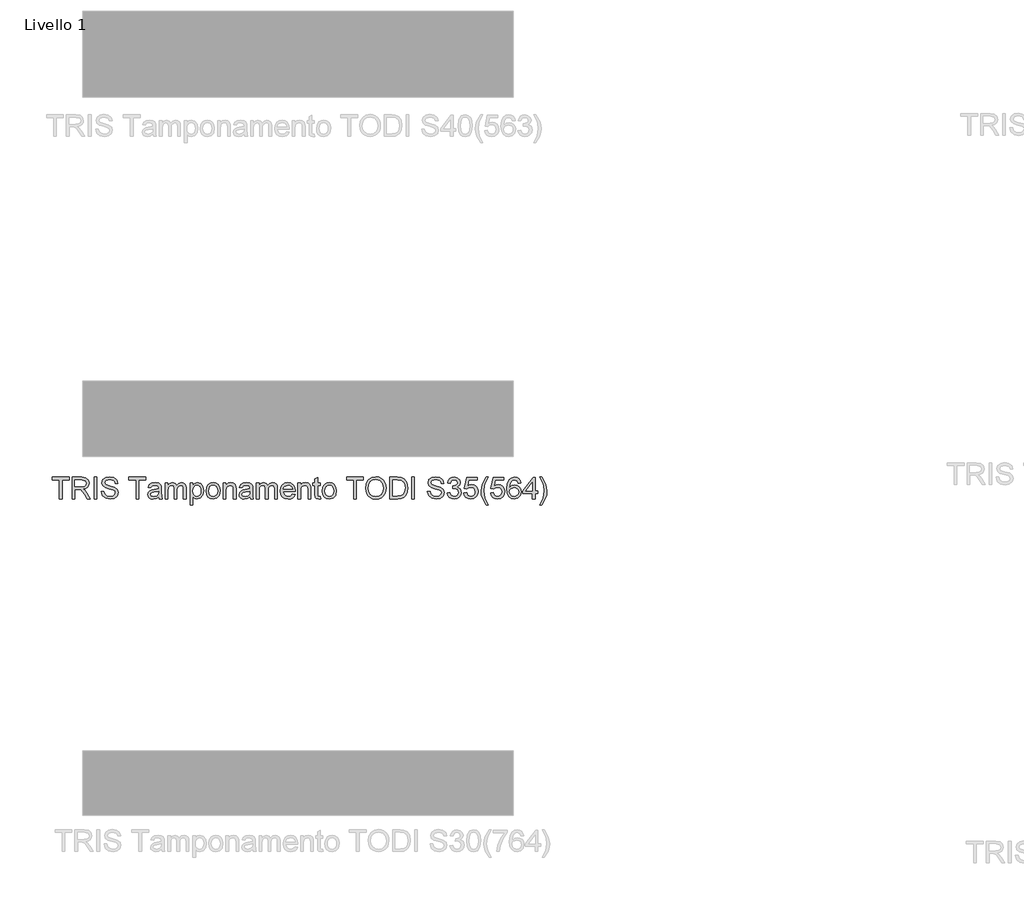
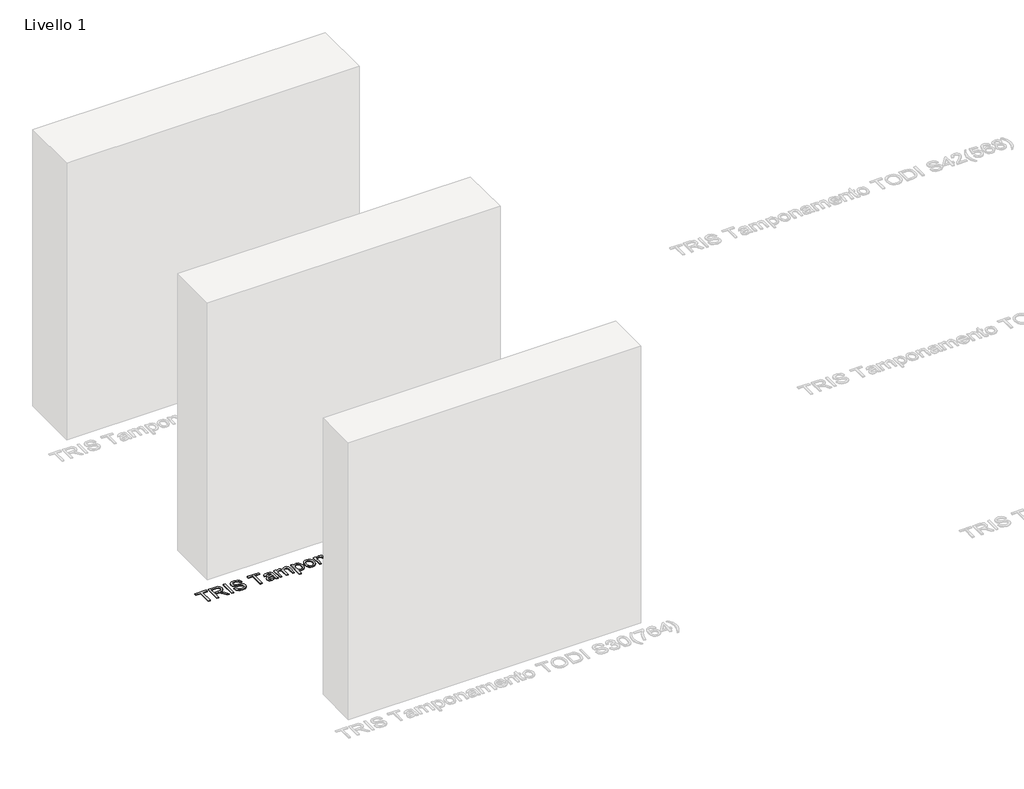
# One storey, part 5 of 18: 1 proxy.
"""IFC4 building model written with IfcOpenShell, lengths in millimetres."""

import ifcopenshell
import ifcopenshell.guid

model = None  # the IFC model being written
_history = None  # IfcOwnerHistory: only IFC2X3 demands one
_inside = {}  # id of a spatial element -> (the spatial element, [elements in it])
_under = {}  # id of a project, library or spatial element -> (it, [spatial elements below it])
_declared = {}  # id of a project -> (the project, [libraries it declares])
_typed = {}  # id of a type object -> (the type object, [elements of that type])
_made_of = {}  # id of a material, layer set ... -> (it, [elements and type objects made of it])


def new_model(schema):
    """Start an empty IFC model of exactly this schema.

    Asked for "IFC4X3", IfcOpenShell would pick the latest addendum, in which some entities
    have other attributes; the version numbers below select the first issue.
    IFC2X3 requires an IfcOwnerHistory on every rooted entity: one is made here for all.
    """
    global model, _history
    if schema == "IFC4X3":
        model = ifcopenshell.file(schema_version=(4, 3, 0, 0))
    else:
        model = ifcopenshell.file(schema=schema)
    _inside.clear()
    _under.clear()
    _declared.clear()
    _typed.clear()
    _made_of.clear()
    _history = None
    if model.schema == "IFC2X3":
        org = make("IfcOrganization", Name="unknown")
        user = make(
            "IfcPersonAndOrganization",
            ThePerson=make("IfcPerson", FamilyName="unknown"),
            TheOrganization=org,
        )
        app = make(
            "IfcApplication",
            ApplicationDeveloper=org,
            Version="unknown",
            ApplicationFullName="unknown",
            ApplicationIdentifier="unknown",
        )
        _history = make(
            "IfcOwnerHistory",
            OwningUser=user,
            OwningApplication=app,
            ChangeAction="ADDED",
            CreationDate=0,
        )
    return model


def make(cls, **values):
    """One entity of the class cls with the attributes given. An attribute that is None is left unset."""
    return model.create_entity(
        cls, **{name: value for name, value in values.items() if value is not None}
    )


def rooted(cls, **values):
    """An entity with a GlobalId (a new one), such as an element, a storey or a relation."""
    return make(cls, GlobalId=ifcopenshell.guid.new(), OwnerHistory=_history, **values)


def si_unit(unit_type, name, prefix=None):
    """IfcSIUnit, for example si_unit("LENGTHUNIT", "METRE", prefix="MILLI")."""
    return make("IfcSIUnit", UnitType=unit_type, Prefix=prefix, Name=name)


def assignment(units):
    """IfcUnitAssignment: the units of a project."""
    return None if units is None else make("IfcUnitAssignment", Units=units)


def point(xyz):
    """IfcCartesianPoint."""
    return None if xyz is None else make("IfcCartesianPoint", Coordinates=xyz)


def direction(xyz):
    """IfcDirection."""
    return None if xyz is None else make("IfcDirection", DirectionRatios=xyz)


def frame(location, z_axis=None, x_axis=None):
    """IfcAxis2Placement3D, a coordinate frame: its origin and axes. An axis left out is left unset."""
    return make(
        "IfcAxis2Placement3D",
        Location=point(location),
        Axis=direction(z_axis),
        RefDirection=direction(x_axis),
    )


def origin():
    """The frame at (0, 0, 0) with its axes left unset."""
    return frame((0.0, 0.0, 0.0))


def origin_with_axes():
    """The frame at (0, 0, 0) with the z axis (0, 0, 1) and the x axis (1, 0, 0) written out."""
    return frame((0.0, 0.0, 0.0), z_axis=(0.0, 0.0, 1.0), x_axis=(1.0, 0.0, 0.0))


def place(relative_to, where):
    """IfcLocalPlacement: puts the frame where relative to a parent placement (None: the world)."""
    return make(
        "IfcLocalPlacement", PlacementRelTo=relative_to, RelativePlacement=where
    )


def context(
    kind, dimensions, precision=None, world=None, true_north=None, identifier=None
):
    """IfcGeometricRepresentationContext, for example the 3D "Model" context."""
    return make(
        "IfcGeometricRepresentationContext",
        ContextIdentifier=identifier,
        ContextType=kind,
        CoordinateSpaceDimension=dimensions,
        Precision=precision,
        WorldCoordinateSystem=world,
        TrueNorth=true_north,
    )


def project(units=None, contexts=None):
    """IfcProject with its units and contexts."""
    return rooted(
        "IfcProject",
        Name="project",
        RepresentationContexts=contexts,
        UnitsInContext=assignment(units),
    )


def spatial(cls, under=None, at=None, **own):
    """A site, building, storey or space (cls), placed at a placement, below another one or the project."""
    s = rooted(cls, ObjectPlacement=at, **own)
    if under is not None:
        _under.setdefault(under.id(), (under, []))[1].append(s)
    return s


def polyline(points):
    """IfcPolyline through the points."""
    return make("IfcPolyline", Points=[point(p) for p in points])


def outline(outer, holes=None, kind="AREA"):
    """IfcArbitraryClosedProfileDef: a profile drawn as a closed curve; with holes, ...WithVoids."""
    if holes is None:
        return make("IfcArbitraryClosedProfileDef", ProfileType=kind, OuterCurve=outer)
    return make(
        "IfcArbitraryProfileDefWithVoids",
        ProfileType=kind,
        OuterCurve=outer,
        InnerCurves=holes,
    )


def extrude(swept, where, along, depth):
    """IfcExtrudedAreaSolid: the profile swept, set in the frame where, extruded along a direction by depth."""
    return make(
        "IfcExtrudedAreaSolid",
        SweptArea=swept,
        Position=where,
        ExtrudedDirection=direction(along),
        Depth=depth,
    )


def shape(context_of_items, identifier, shape_type, items):
    """IfcShapeRepresentation: the items that make up one representation, for example the "Body"."""
    return make(
        "IfcShapeRepresentation",
        ContextOfItems=context_of_items,
        RepresentationIdentifier=identifier,
        RepresentationType=shape_type,
        Items=items,
    )


def made_of(thing, what):
    """Note that an element or type object is made of a material, layer set ...; save() writes the relation."""
    if what is not None:
        _made_of.setdefault(what.id(), (what, []))[1].append(thing)
    return thing


def element(
    cls,
    number,
    at=None,
    inside=None,
    cuts=None,
    type_object=None,
    material=None,
    context=None,
    identifier="Body",
    shape_type=None,
    held_by="IfcProductDefinitionShape",
    body=None,
    shapes=None,
    **own,
):
    """One element of the class cls, such as IfcWall. Its Tag is "e" and its number.

    at: its placement. inside: the storey or other place that contains it. cuts: it is an
    opening in that element (IfcRelVoidsElement). A single representation is given by context,
    identifier, shape_type and body (its items); several are given by shapes. held_by: the class
    of the entity that holds the representations. save() writes the other relations.
    """
    e = rooted(cls, Tag="e%d" % number, ObjectPlacement=at, **own)
    if body is not None:
        shapes = [shape(context, identifier, shape_type, body)]
    if shapes is not None:
        e.Representation = make(held_by, Representations=shapes)
    if inside is not None:
        _inside.setdefault(inside.id(), (inside, []))[1].append(e)
    if cuts is not None:
        rooted(
            "IfcRelVoidsElement", RelatingBuildingElement=cuts, RelatedOpeningElement=e
        )
    if type_object is not None:
        _typed.setdefault(type_object.id(), (type_object, []))[1].append(e)
    return made_of(e, material)


def aggregate(whole, parts):
    """IfcRelAggregates: a whole, such as a stair, and the parts it consists of."""
    return rooted("IfcRelAggregates", RelatingObject=whole, RelatedObjects=parts)


def save(model, path):
    """Write the relations noted so far, then the file.

    IfcRelAggregates (storeys below a building ...), IfcRelContainedInSpatialStructure (elements
    in a storey), IfcRelDefinesByType, IfcRelAssociatesMaterial and IfcRelDeclares: one each for
    every whole, place, type object, material and project.
    """
    for whole, parts in _under.values():
        aggregate(whole, parts)
    for where, things in _inside.values():
        rooted(
            "IfcRelContainedInSpatialStructure",
            RelatedElements=things,
            RelatingStructure=where,
        )
    for kind, things in _typed.values():
        rooted("IfcRelDefinesByType", RelatedObjects=things, RelatingType=kind)
    for what, things in _made_of.values():
        rooted("IfcRelAssociatesMaterial", RelatedObjects=things, RelatingMaterial=what)
    for by, libraries in _declared.values():
        rooted("IfcRelDeclares", RelatingContext=by, RelatedDefinitions=libraries)
    model.write(path)


model = new_model("IFC4")

# Units and contexts
model_context = context("Model", 3, world=origin())
ifc_project = project(units=[si_unit("LENGTHUNIT", "METRE", prefix="MILLI")], contexts=[model_context])

# Site, building, storey
site = spatial("IfcSite", under=ifc_project)
building = spatial("IfcBuilding", under=site)
storey = spatial("IfcBuildingStorey", under=building, Name="Livello 1", Elevation=0.0)

# Proxy
placement = place(None, origin())
element("IfcBuildingElementProxy", 1, Name="100", ObjectType="100", at=placement, inside=storey, context=model_context, shape_type="SweptSolid", body=[
    extrude(outline(polyline([(-5528.0755611, -74.78634), (-5528.0755611, 13.1129314), (-5561.0377879, 13.1129314), (-5561.0377879, 25.6699702), (-5482.5562956, 25.6699702), (-5482.5562956, 13.1129314), (-5515.5185224, 13.1129314), (-5515.5185224, -74.78634), (-5528.0755611, -74.78634)])), origin_with_axes(), (0.0, 0.0, 1.0), 5.0),
    extrude(outline(polyline([(-5468.429627, -74.78634), (-5468.429627, 25.6699702), (-5425.1421789, 25.6699702), (-5405.0435592, 22.9599062), (-5394.0561503, 13.3704488), (-5389.9481347, -1.8230776), (-5391.6495889, -11.7191032), (-5396.7539516, -19.9228717), (-5405.4145069, -25.9377424), (-5417.784539, -29.2670744), (-5410.6476283, -34.6381515), (-5400.4695597, -47.5630723), (-5383.7186662, -74.78634), (-5398.3113187, -74.78634), (-5411.3833923, -53.964219), (-5420.8256968, -40.1809069), (-5427.4598354, -33.6693956), (-5433.4317865, -31.2781627), (-5440.71585, -30.8367043), (-5455.8725882, -30.8367043), (-5455.8725882, -74.78634), (-5468.429627, -74.78634)]), holes=[polyline([(-5455.8725882, -18.2796655), (-5427.7664038, -18.2796655), (-5413.4312687, -16.5015692), (-5405.2888139, -10.811661), (-5402.5051734, -2.2890614), (-5407.8149369, 8.7719239), (-5424.6026186, 13.1129314), (-5455.8725882, 13.1129314), (-5455.8725882, -18.2796655)])]), origin_with_axes(), (0.0, 0.0, 1.0), 5.0),
    extrude(outline(polyline([(-5366.403687, -74.78634), (-5366.403687, 25.6699702), (-5353.8466482, 25.6699702), (-5353.8466482, -74.78634), (-5366.403687, -74.78634)])), origin_with_axes(), (0.0, 0.0, 1.0), 5.0),
    extrude(outline(polyline([(-5333.4414602, -40.2544833), (-5320.8844214, -40.2544833), (-5316.8377195, -52.8237848), (-5306.9539566, -60.7700359), (-5291.8953202, -63.798931), (-5278.7741957, -61.5057999), (-5270.3006471, -55.2027551), (-5267.5170067, -46.7782574), (-5269.6016713, -38.9423709), (-5278.1365336, -33.2402), (-5296.4202688, -28.4454713), (-5316.1019555, -22.252791), (-5326.7827961, -12.9085884), (-5330.3022005, -0.425126), (-5325.9489302, 13.7873818), (-5313.2324759, 23.8182975), (-5294.617647, 27.2396), (-5274.7520192, 23.658882), (-5261.5082674, 13.1374569), (-5256.5295978, -2.583367), (-5269.0866365, -2.583367), (-5271.3920304, 4.9091629), (-5276.1990218, 10.3170283), (-5294.1271377, 14.6825613), (-5312.1043045, 10.3660792), (-5317.7451618, -0.057244), (-5313.7475107, -8.7637846), (-5293.2442209, -15.7780679), (-5271.0241484, -22.0811128), (-5258.8717798, -32.2591813), (-5254.9599679, -46.4594263), (-5259.460391, -61.4812745), (-5272.4098372, -72.4441579), (-5291.4048109, -76.3559698), (-5313.8333499, -72.1375896), (-5328.0213321, -59.433398), (-5333.4414602, -40.2544833)])), origin_with_axes(), (0.0, 0.0, 1.0), 5.0),
    extrude(outline(polyline([(-5171.7695861, -74.78634), (-5171.7695861, 13.1129314), (-5204.7318128, 13.1129314), (-5204.7318128, 25.6699702), (-5126.2503205, 25.6699702), (-5126.2503205, 13.1129314), (-5159.2125473, 13.1129314), (-5159.2125473, -74.78634), (-5171.7695861, -74.78634)])), origin_with_axes(), (0.0, 0.0, 1.0), 5.0),
    extrude(outline(polyline([(-5066.6043864, -65.3685609), (-5078.7812804, -73.8788977), (-5092.2334987, -76.3559698), (-5102.7273326, -74.8660477), (-5110.4681829, -70.3962815), (-5115.2414518, -63.6088587), (-5116.8325415, -55.1659669), (-5114.4290458, -45.233153), (-5108.1137382, -38.0226659), (-5099.3213585, -33.9023876), (-5088.4565769, -32.0139266), (-5066.6779628, -27.6974446), (-5066.6043864, -24.9015414), (-5070.0624771, -15.6309151), (-5083.9438911, -12.0011461), (-5096.6480827, -14.4169045), (-5102.7058728, -22.988555), (-5115.2629116, -21.4189252), (-5109.8305208, -9.156192), (-5098.8921628, -1.9702304), (-5082.3252103, 0.5558927), (-5067.1071584, -1.6759248), (-5058.5109825, -7.2799938), (-5054.6604843, -15.8025934), (-5054.0473476, -26.7900023), (-5054.0473476, -42.4127244), (-5053.4096855, -64.2281267), (-5050.9080879, -74.78634), (-5063.4651267, -74.78634), (-5066.6043864, -65.3685609)]), holes=[polyline([(-5066.6043864, -40.2544833), (-5086.8624216, -44.1049816), (-5097.6658895, -46.1405953), (-5102.55872, -49.4515332), (-5104.2755027, -54.2830501), (-5100.5353691, -61.0766043), (-5089.5602229, -63.798931), (-5076.8560313, -60.7945614), (-5068.6645256, -53.5227606), (-5066.6779628, -43.810676), (-5066.6043864, -40.2544833)])]), origin_with_axes(), (0.0, 0.0, 1.0), 5.0),
    extrude(outline(polyline([(-5036.7814193, -74.78634), (-5036.7814193, -1.0137372), (-5024.2243805, -1.0137372), (-5024.2243805, -13.153843), (-5015.5914164, -3.2087664), (-5003.3041577, 0.5558927), (-4990.7225935, -3.2823428), (-4983.806412, -14.0367598), (-4974.0084882, -3.0922705), (-4961.6353904, 0.5558927), (-4952.1961516, -0.9616206), (-4945.2155907, -5.5141603), (-4940.9021743, -13.2243537), (-4939.4643688, -24.2148284), (-4939.4643688, -74.78634), (-4952.0214076, -74.78634), (-4952.0214076, -29.6104309), (-4953.1863673, -19.1257941), (-4957.4047475, -13.9631834), (-4964.5784464, -12.0011461), (-4976.9270187, -17.0288667), (-4980.6150357, -23.5710349), (-4981.8443747, -33.1420981), (-4981.8443747, -74.78634), (-4994.4014135, -74.78634), (-4994.4014135, -28.2124794), (-4997.3076812, -16.0478481), (-5006.8358249, -12.0011461), (-5016.1309766, -14.6989474), (-5022.3113942, -22.5961476), (-5024.2243805, -37.5812075), (-5024.2243805, -74.78634), (-5036.7814193, -74.78634)])), origin_with_axes(), (0.0, 0.0, 1.0), 5.0),
    extrude(outline(polyline([(-4920.6288107, -103.0396772), (-4920.6288107, -1.0137372), (-4908.0717719, -1.0137372), (-4908.0717719, -13.3255213), (-4899.3897568, -2.9144608), (-4887.6665839, 0.5558927), (-4871.7495563, -4.3001497), (-4861.3507585, -17.9853599), (-4857.8436168, -37.3359528), (-4861.8044797, -57.6798272), (-4873.3069234, -71.5367157), (-4889.1871628, -76.3559698), (-4900.1132581, -73.130871), (-4908.0717719, -64.9761534), (-4908.0717719, -103.0396772), (-4920.6288107, -103.0396772)]), holes=[polyline([(-4908.0717719, -38.4886498), (-4906.7136742, -49.7458388), (-4902.6393811, -57.6185135), (-4896.6275762, -62.2538267), (-4889.456943, -63.798931), (-4882.1698138, -62.1986444), (-4876.0047247, -57.3977843), (-4871.8016729, -49.2369354), (-4870.4006556, -37.556682), (-4871.7679504, -26.3608067), (-4875.8698346, -18.3777674), (-4881.8724425, -13.5953014), (-4888.9419082, -12.0011461), (-4896.038965, -13.696469), (-4902.2714991, -18.7824376), (-4906.6217037, -27.0996363), (-4908.0717719, -38.4886498)])]), origin_with_axes(), (0.0, 0.0, 1.0), 5.0),
    extrude(outline(polyline([(-4846.8562079, -37.9000386), (-4844.1400125, -20.1129441), (-4835.9914263, -7.6110876), (-4825.9237224, -1.4858524), (-4813.8694557, 0.5558927), (-4800.6778205, -1.9303765), (-4790.141067, -9.3891839), (-4783.2340825, -21.2319185), (-4780.9317544, -36.869969), (-4785.0029818, -59.2126688), (-4796.8610448, -71.8555467), (-4813.8694557, -76.3559698), (-4827.2205064, -73.8788977), (-4837.7449972, -66.4476814), (-4844.5784052, -54.3566265), (-4846.8562079, -37.9000386)]), holes=[polyline([(-4834.2991692, -37.8755131), (-4832.8460353, -49.2400011), (-4828.4866336, -57.3364706), (-4821.9260714, -62.1833159), (-4813.8694557, -63.798931), (-4805.8496282, -62.1741189), (-4799.3013287, -57.2996825), (-4794.941927, -49.095914), (-4793.4887932, -37.4831056), (-4794.9511241, -26.4497115), (-4799.3381169, -18.4636065), (-4805.8956134, -13.6167612), (-4813.8694557, -12.0011461), (-4821.9260714, -13.6106298), (-4828.4866336, -18.439081), (-4832.8460353, -26.5171565), (-4834.2991692, -37.8755131)])]), origin_with_axes(), (0.0, 0.0, 1.0), 5.0),
    extrude(outline(polyline([(-4766.8050858, -74.78634), (-4766.8050858, -1.0137372), (-4754.248047, -1.0137372), (-4754.248047, -11.3144331), (-4744.6463269, -2.4116888), (-4731.5374652, 0.5558927), (-4719.6794022, -1.8353403), (-4711.5859983, -8.1138597), (-4707.8213392, -17.3476978), (-4707.1591516, -29.4878036), (-4707.1591516, -74.78634), (-4719.7161904, -74.78634), (-4719.7161904, -31.1800608), (-4721.1631929, -20.0700245), (-4726.2767526, -14.1961753), (-4734.8974541, -12.0011461), (-4748.5213506, -16.9307648), (-4752.8163729, -24.0738069), (-4754.248047, -35.6436957), (-4754.248047, -74.78634), (-4766.8050858, -74.78634)])), origin_with_axes(), (0.0, 0.0, 1.0), 5.0),
    extrude(outline(polyline([(-4642.8043279, -65.3685609), (-4654.981222, -73.8788977), (-4668.4334403, -76.3559698), (-4678.9272742, -74.8660477), (-4686.6681245, -70.3962815), (-4691.4413934, -63.6088587), (-4693.032483, -55.1659669), (-4690.6289873, -45.233153), (-4684.3136797, -38.0226659), (-4675.5213, -33.9023876), (-4664.6565184, -32.0139266), (-4642.8779043, -27.6974446), (-4642.8043279, -24.9015414), (-4646.2624187, -15.6309151), (-4660.1438326, -12.0011461), (-4672.8480242, -14.4169045), (-4678.9058144, -22.988555), (-4691.4628532, -21.4189252), (-4686.0304624, -9.156192), (-4675.0921044, -1.9702304), (-4658.5251519, 0.5558927), (-4643.3071, -1.6759248), (-4634.710924, -7.2799938), (-4630.8604258, -15.8025934), (-4630.2472892, -26.7900023), (-4630.2472892, -42.4127244), (-4629.609627, -64.2281267), (-4627.1080295, -74.78634), (-4639.6650682, -74.78634), (-4642.8043279, -65.3685609)]), holes=[polyline([(-4642.8043279, -40.2544833), (-4663.0623631, -44.1049816), (-4673.8658311, -46.1405953), (-4678.7586616, -49.4515332), (-4680.4754442, -54.2830501), (-4676.7353106, -61.0766043), (-4665.7601644, -63.798931), (-4653.0559729, -60.7945614), (-4644.8644671, -53.5227606), (-4642.8779043, -43.810676), (-4642.8043279, -40.2544833)])]), origin_with_axes(), (0.0, 0.0, 1.0), 5.0),
    extrude(outline(polyline([(-4612.9813609, -74.78634), (-4612.9813609, -1.0137372), (-4600.4243221, -1.0137372), (-4600.4243221, -13.153843), (-4591.7913579, -3.2087664), (-4579.5040993, 0.5558927), (-4566.9225351, -3.2823428), (-4560.0063536, -14.0367598), (-4550.2084297, -3.0922705), (-4537.835332, 0.5558927), (-4528.3960931, -0.9616206), (-4521.4155323, -5.5141603), (-4517.1021159, -13.2243537), (-4515.6643104, -24.2148284), (-4515.6643104, -74.78634), (-4528.2213492, -74.78634), (-4528.2213492, -29.6104309), (-4529.3863088, -19.1257941), (-4533.604689, -13.9631834), (-4540.7783879, -12.0011461), (-4553.1269602, -17.0288667), (-4556.8149772, -23.5710349), (-4558.0443162, -33.1420981), (-4558.0443162, -74.78634), (-4570.601355, -74.78634), (-4570.601355, -28.2124794), (-4573.5076228, -16.0478481), (-4583.0357665, -12.0011461), (-4592.3309182, -14.6989474), (-4598.5113357, -22.5961476), (-4600.4243221, -37.5812075), (-4600.4243221, -74.78634), (-4612.9813609, -74.78634)])), origin_with_axes(), (0.0, 0.0, 1.0), 5.0),
    extrude(outline(polyline([(-4445.1781201, -52.8115221), (-4432.866336, -54.381152), (-4437.3023797, -63.6579096), (-4444.3810425, -70.5924852), (-4453.9429087, -74.9150987), (-4465.8285628, -76.3559698), (-4480.5622367, -73.8697006), (-4491.8991335, -66.4108932), (-4499.1280147, -54.4639254), (-4501.5376418, -38.5131752), (-4499.1034893, -22.0259305), (-4491.8010316, -9.6957523), (-4480.617419, -2.0070186), (-4466.5398013, 0.5558927), (-4452.9005763, -2.0008872), (-4442.0020722, -9.6712268), (-4434.8559645, -21.9768795), (-4432.4739286, -38.4395988), (-4432.547505, -41.8241132), (-4488.980603, -41.8241132), (-4486.8070336, -51.2234982), (-4481.7578532, -58.1335483), (-4474.470724, -62.3825854), (-4465.5833081, -63.798931), (-4453.271524, -61.1747061), (-4445.1781201, -52.8115221)]), holes=[polyline([(-4488.980603, -29.2670744), (-4445.0309673, -29.2670744), (-4450.0586879, -17.887258), (-4457.3795396, -13.4726741), (-4466.5888522, -12.0011461), (-4482.0521588, -16.6977729), (-4486.9173982, -22.1884117), (-4488.980603, -29.2670744)])]), origin_with_axes(), (0.0, 0.0, 1.0), 5.0),
    extrude(outline(polyline([(-4419.9168898, -74.78634), (-4419.9168898, -1.0137372), (-4407.359851, -1.0137372), (-4407.359851, -11.3144331), (-4397.7581309, -2.4116888), (-4384.6492692, 0.5558927), (-4372.7912062, -1.8353403), (-4364.6978023, -8.1138597), (-4360.9331432, -17.3476978), (-4360.2709556, -29.4878036), (-4360.2709556, -74.78634), (-4372.8279944, -74.78634), (-4372.8279944, -31.1800608), (-4374.2749969, -20.0700245), (-4379.3885567, -14.1961753), (-4388.0092581, -12.0011461), (-4401.6331546, -16.9307648), (-4405.9281769, -24.0738069), (-4407.359851, -35.6436957), (-4407.359851, -74.78634), (-4419.9168898, -74.78634)])), origin_with_axes(), (0.0, 0.0, 1.0), 5.0),
    extrude(outline(polyline([(-4316.3213199, -64.3139658), (-4314.7516901, -75.1542219), (-4324.1449437, -76.3559698), (-4334.6663688, -74.2713052), (-4339.9148186, -68.8021262), (-4341.4353975, -54.5528302), (-4341.4353975, -13.570776), (-4350.8531766, -13.570776), (-4350.8531766, -1.0137372), (-4341.4353975, -1.0137372), (-4341.4353975, 16.9143787), (-4328.8783587, 24.2965441), (-4328.8783587, -1.0137372), (-4316.3213199, -1.0137372), (-4316.3213199, -13.570776), (-4328.8783587, -13.570776), (-4328.8783587, -54.1849482), (-4328.2161711, -60.6596713), (-4326.0701928, -62.9528024), (-4321.7904989, -63.798931), (-4316.3213199, -64.3139658)])), origin_with_axes(), (0.0, 0.0, 1.0), 5.0),
    extrude(outline(polyline([(-4306.9035409, -37.9000386), (-4304.1873455, -20.1129441), (-4296.0387593, -7.6110876), (-4285.9710553, -1.4858524), (-4273.9167886, 0.5558927), (-4260.7251534, -1.9303765), (-4250.1883999, -9.3891839), (-4243.2814155, -21.2319185), (-4240.9790873, -36.869969), (-4245.0503147, -59.2126688), (-4256.9083777, -71.8555467), (-4273.9167886, -76.3559698), (-4287.2678394, -73.8788977), (-4297.7923301, -66.4476814), (-4304.6257382, -54.3566265), (-4306.9035409, -37.9000386)]), holes=[polyline([(-4294.3465021, -37.8755131), (-4292.8933682, -49.2400011), (-4288.5339666, -57.3364706), (-4281.9734043, -62.1833159), (-4273.9167886, -63.798931), (-4265.8969611, -62.1741189), (-4259.3486616, -57.2996825), (-4254.98926, -49.095914), (-4253.5361261, -37.4831056), (-4254.998457, -26.4497115), (-4259.3854498, -18.4636065), (-4265.9429464, -13.6167612), (-4273.9167886, -12.0011461), (-4281.9734043, -13.6106298), (-4288.5339666, -18.439081), (-4292.8933682, -26.5171565), (-4294.3465021, -37.8755131)])]), origin_with_axes(), (0.0, 0.0, 1.0), 5.0),
    extrude(outline(polyline([(-4160.9279652, -74.78634), (-4160.9279652, 13.1129314), (-4193.890192, 13.1129314), (-4193.890192, 25.6699702), (-4115.4086996, 25.6699702), (-4115.4086996, 13.1129314), (-4148.3709264, 13.1129314), (-4148.3709264, -74.78634), (-4160.9279652, -74.78634)])), origin_with_axes(), (0.0, 0.0, 1.0), 5.0),
    extrude(outline(polyline([(-4105.9909206, -25.8825601), (-4102.6431944, -3.6686189), (-4092.6000159, 13.1374569), (-4077.2654681, 23.7140643), (-4058.0436339, 27.2396), (-4044.8673271, 25.5841311), (-4033.0521837, 20.6177241), (-4023.2419971, 12.6898671), (-4016.080561, 2.150048), (-4011.7027652, -10.4928299), (-4010.2435, -24.7298631), (-4011.7794073, -39.1569687), (-4016.3871293, -51.9776563), (-4023.8122142, -62.5358695), (-4033.8002104, -70.1755523), (-4045.5141862, -74.8108654), (-4058.1172103, -76.3559698), (-4071.4958522, -74.6483842), (-4083.3784406, -69.5256274), (-4093.1641017, -61.4506176), (-4100.2519614, -50.886273), (-4105.9909206, -25.8825601)]), holes=[polyline([(-4093.4338818, -26.0051874), (-4090.9230872, -41.71988), (-4083.3907033, -53.6944389), (-4072.0691349, -61.272808), (-4058.1907867, -63.798931), (-4044.1101033, -61.2482825), (-4032.7701408, -53.596337), (-4025.2929392, -41.2538961), (-4022.8005387, -24.6317613), (-4027.0679699, -3.9077422), (-4039.5391695, 9.8142562), (-4057.9700575, 14.6825613), (-4071.4774581, 12.3373136), (-4082.9615077, 5.3015704), (-4090.8157883, -7.2156145), (-4093.4338818, -26.0051874)])]), origin_with_axes(), (0.0, 0.0, 1.0), 5.0),
    extrude(outline(polyline([(-3992.9775717, -74.78634), (-3992.9775717, 25.6699702), (-3958.3230877, 25.6699702), (-3940.3949718, 24.2229677), (-3925.6306411, 17.037006), (-3913.7357899, -0.1308204), (-3909.7871898, -24.0186246), (-3912.4604656, -44.2889226), (-3919.3275962, -58.9183632), (-3928.5001206, -68.029574), (-3940.5053364, -73.0695573), (-3956.655356, -74.78634), (-3992.9775717, -74.78634)]), holes=[polyline([(-3980.4205329, -62.2293012), (-3958.2004604, -62.2293012), (-3942.0381781, -60.4144167), (-3932.7185008, -55.2885942), (-3925.0788181, -42.8173946), (-3922.3442286, -23.8224209), (-3923.6839322, -10.1372107), (-3927.703043, -0.0327185), (-3940.7383283, 11.1018432), (-3958.5438169, 13.1129314), (-3980.4205329, 13.1129314), (-3980.4205329, -62.2293012)])]), origin_with_axes(), (0.0, 0.0, 1.0), 5.0),
    extrude(outline(polyline([(-3890.9516317, -74.78634), (-3890.9516317, 25.6699702), (-3878.3945929, 25.6699702), (-3878.3945929, -74.78634), (-3890.9516317, -74.78634)])), origin_with_axes(), (0.0, 0.0, 1.0), 5.0),
    extrude(outline(polyline([(-3818.7486587, -40.2544833), (-3806.19162, -40.2544833), (-3802.144918, -52.8237848), (-3792.2611551, -60.7700359), (-3777.2025187, -63.798931), (-3764.0813943, -61.5057999), (-3755.6078456, -55.2027551), (-3752.8242052, -46.7782574), (-3754.9088698, -38.9423709), (-3763.4437321, -33.2402), (-3781.7274673, -28.4454713), (-3801.409154, -22.252791), (-3812.0899946, -12.9085884), (-3815.609399, -0.425126), (-3811.2561288, 13.7873818), (-3798.5396745, 23.8182975), (-3779.9248455, 27.2396), (-3760.0592178, 23.658882), (-3746.8154659, 13.1374569), (-3741.8367963, -2.583367), (-3754.393835, -2.583367), (-3756.6992289, 4.9091629), (-3761.5062203, 10.3170283), (-3779.4343362, 14.6825613), (-3797.411503, 10.3660792), (-3803.0523603, -0.057244), (-3799.0547093, -8.7637846), (-3778.5514194, -15.7780679), (-3756.3313469, -22.0811128), (-3744.1789783, -32.2591813), (-3740.2671664, -46.4594263), (-3744.7675895, -61.4812745), (-3757.7170357, -72.4441579), (-3776.7120094, -76.3559698), (-3799.1405484, -72.1375896), (-3813.3285307, -59.433398), (-3818.7486587, -40.2544833)])), origin_with_axes(), (0.0, 0.0, 1.0), 5.0),
    extrude(outline(polyline([(-3726.1404978, -48.1026326), (-3713.583459, -46.5330027), (-3706.6550148, -59.7522291), (-3693.6933058, -63.798931), (-3685.0848672, -62.4071108), (-3678.4384658, -58.2316502), (-3672.7730831, -44.4483381), (-3678.3894148, -31.4621037), (-3692.6632363, -26.3240185), (-3701.4678787, -27.6974446), (-3700.0699271, -15.1404058), (-3698.0588389, -15.2875586), (-3683.8095429, -11.682315), (-3679.0638652, -7.1083156), (-3677.4819726, -0.5968043), (-3682.0682348, 9.225645), (-3693.8895096, 13.1129314), (-3705.8579372, 9.1888568), (-3712.0138292, -2.583367), (-3724.570868, -1.0137372), (-3720.8736539, 10.261846), (-3714.2946976, 18.6802123), (-3705.2938514, 23.9225307), (-3694.330968, 25.6699702), (-3679.1864925, 22.2241422), (-3668.591491, 12.8063631), (-3664.9249338, 0.1389597), (-3668.40755, -11.4370604), (-3678.7082459, -19.7511935), (-3665.0230357, -28.3351067), (-3660.2160443, -44.6690673), (-3662.61954, -56.907275), (-3669.8300271, -67.1343945), (-3680.7132028, -74.050576), (-3694.1347642, -76.3559698), (-3706.2748701, -74.3878011), (-3716.158633, -68.4832951), (-3723.031895, -59.4517921), (-3726.1404978, -48.1026326)])), origin_with_axes(), (0.0, 0.0, 1.0), 5.0),
    extrude(outline(polyline([(-3649.2286354, -48.1026326), (-3636.6715966, -46.5330027), (-3630.3440263, -59.4701862), (-3617.2229018, -63.798931), (-3608.2220556, -62.2936805), (-3601.4775524, -57.777929), (-3597.2653035, -50.7728427), (-3595.8612206, -41.7995877), (-3601.1219331, -26.8881042), (-3607.7284806, -22.7862199), (-3617.026698, -21.4189252), (-3628.0508952, -23.6016917), (-3635.1019667, -29.2670744), (-3647.6590055, -27.6974446), (-3636.6715966, 24.1003403), (-3588.0130714, 24.1003403), (-3588.0130714, 11.5433016), (-3626.5180535, 11.5433016), (-3631.8891307, -16.1214245), (-3622.9189413, -10.6767709), (-3613.5195564, -8.8618864), (-3601.7871864, -11.112098), (-3592.0475106, -17.8627326), (-3585.490014, -28.1511657), (-3583.3041818, -41.0147728), (-3585.2723505, -53.5718116), (-3591.1768565, -64.3139658), (-3602.4830965, -73.3454688), (-3617.2719527, -76.3559698), (-3629.6051966, -74.4215236), (-3639.4307116, -68.6181852), (-3646.1660178, -59.6204047), (-3649.2286354, -48.1026326)])), origin_with_axes(), (0.0, 0.0, 1.0), 5.0),
    extrude(outline(polyline([(-3544.0634357, -103.0396772), (-3561.8934497, -73.5845921), (-3567.3564973, -56.4045029), (-3569.1775132, -38.6112771), (-3563.7328597, -8.0770715), (-3544.0634357, 25.6699702), (-3534.6456566, 25.6699702), (-3546.393355, 5.779817), (-3553.4566893, -13.4971996), (-3556.6204744, -38.6848535), (-3551.12677, -70.8745281), (-3534.6456566, -103.0396772), (-3544.0634357, -103.0396772)])), origin_with_axes(), (0.0, 0.0, 1.0), 5.0),
    extrude(outline(polyline([(-3525.2278775, -48.1026326), (-3512.6708388, -46.5330027), (-3506.3432684, -59.4701862), (-3493.2221439, -63.798931), (-3484.2212978, -62.2936805), (-3477.4767945, -57.777929), (-3473.2645457, -50.7728427), (-3471.8604628, -41.7995877), (-3477.1211753, -26.8881042), (-3483.7277228, -22.7862199), (-3493.0259402, -21.4189252), (-3504.0501373, -23.6016917), (-3511.1012089, -29.2670744), (-3523.6582477, -27.6974446), (-3512.6708388, 24.1003403), (-3464.0123135, 24.1003403), (-3464.0123135, 11.5433016), (-3502.5172957, 11.5433016), (-3507.8883728, -16.1214245), (-3498.9181835, -10.6767709), (-3489.5187985, -8.8618864), (-3477.7864286, -11.112098), (-3468.0467527, -17.8627326), (-3461.4892562, -28.1511657), (-3459.303424, -41.0147728), (-3461.2715927, -53.5718116), (-3467.1760987, -64.3139658), (-3478.4823387, -73.3454688), (-3493.2711949, -76.3559698), (-3505.6044388, -74.4215236), (-3515.4299537, -68.6181852), (-3522.1652599, -59.6204047), (-3525.2278775, -48.1026326)])), origin_with_axes(), (0.0, 0.0, 1.0), 5.0),
    extrude(outline(polyline([(-3383.9611914, -1.0137372), (-3396.5182301, -2.583367), (-3401.2761706, 7.8890071), (-3413.8577348, 13.1129314), (-3425.1885003, 10.0717736), (-3433.7601508, -1.344831), (-3437.3286061, -23.724319), (-3426.2553581, -13.705666), (-3412.5333597, -10.4315163), (-3400.9328141, -12.6694651), (-3391.1962039, -19.3833115), (-3384.5927221, -29.6410878), (-3382.3915615, -42.5108262), (-3386.5363653, -59.8380682), (-3397.9407072, -72.1008014), (-3414.3972951, -76.3559698), (-3428.6435254, -73.5355412), (-3439.9896192, -65.0742553), (-3447.4116385, -50.1382463), (-3449.8856449, -27.8936483), (-3447.1387927, -2.883804), (-3438.898236, 14.2165774), (-3427.6471783, 22.806622), (-3413.0729199, 25.6699702), (-3402.0548542, 23.8980053), (-3393.2318176, 18.5821104), (-3387.0514001, 10.1392186), (-3383.9611914, -1.0137372)]), holes=[polyline([(-3437.3286061, -42.3146225), (-3434.4223384, -53.1916668), (-3426.6968165, -61.088867), (-3415.3783138, -63.798931), (-3407.0917718, -62.3948481), (-3400.5771948, -58.1825992), (-3396.3557489, -51.5607233), (-3394.9486003, -42.9277592), (-3396.3373548, -34.6412172), (-3400.5036184, -28.322844), (-3407.12856, -24.3221273), (-3415.8933486, -22.988555), (-3431.086875, -28.322844), (-3435.7681733, -34.4879331), (-3437.3286061, -42.3146225)])]), origin_with_axes(), (0.0, 0.0, 1.0), 5.0),
    extrude(outline(polyline([(-3330.5937766, -74.78634), (-3330.5937766, -51.2418923), (-3376.1130421, -51.2418923), (-3376.1130421, -38.6848535), (-3327.4545169, 24.1003403), (-3318.0367378, 24.1003403), (-3318.0367378, -38.6848535), (-3305.4796991, -38.6848535), (-3305.4796991, -51.2418923), (-3318.0367378, -51.2418923), (-3318.0367378, -74.78634), (-3330.5937766, -74.78634)]), holes=[polyline([(-3330.5937766, -38.6848535), (-3330.5937766, 0.1144343), (-3360.6619983, -38.6848535), (-3330.5937766, -38.6848535)])]), origin_with_axes(), (0.0, 0.0, 1.0), 5.0),
    extrude(outline(polyline([(-3288.2137708, -103.0396772), (-3297.6315498, -103.0396772), (-3281.1504365, -70.8745281), (-3275.656732, -38.6848535), (-3278.8205171, -13.7179288), (-3285.8102751, 5.5836133), (-3297.6315498, 25.6699702), (-3288.2137708, 25.6699702), (-3268.5443468, -8.0770715), (-3263.0996932, -38.6112771), (-3264.9299061, -56.4045029), (-3270.4205449, -73.5845921), (-3288.2137708, -103.0396772)])), origin_with_axes(), (0.0, 0.0, 1.0), 5.0),
])

save(model, "model.ifc")
